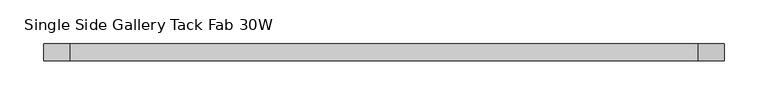
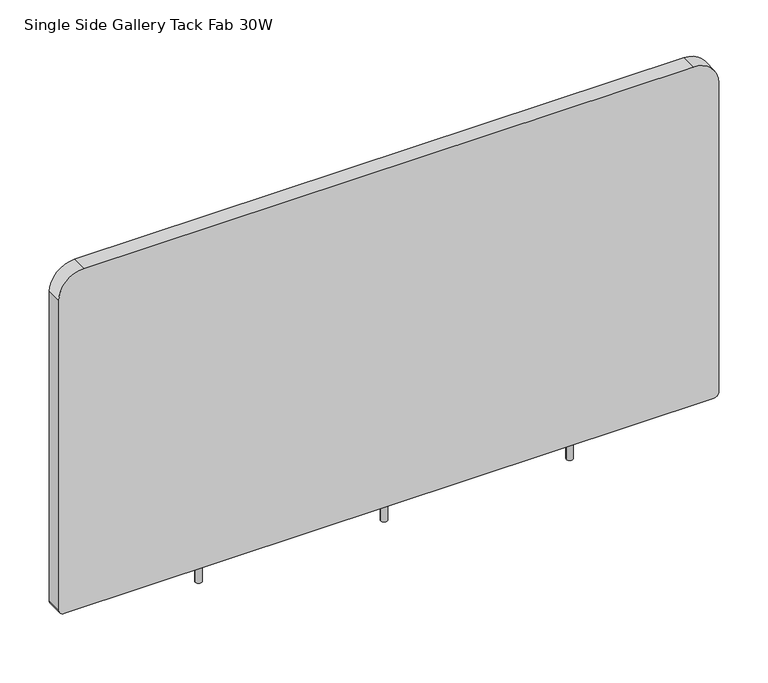
"""IFC4 building model written with IfcOpenShell, lengths in millimetres: furniture geometry, Single Side Gallery Tack Fab 30W."""

from ifc_helpers import new_model, si_unit, point, frame, frame_2d, origin, place, context, project, spatial, polyline, circle_curve, trimmed, segment, composite_curve, outline, extrude, source, transform, mapped, element, save


def single_side_gallery_tack_fab_30w_a366bf1f(model_context):
    return source(origin(), model_context, "Body", "SweptSolid", [
        extrude(outline(composite_curve([segment(trimmed(circle_curve(frame_2d((386.7785, 0.0)), 3.81), [point((382.9685, 0.0))], [point((390.5885, 0.0))], False, "CARTESIAN"), True, "CONTINUOUS"), segment(trimmed(circle_curve(frame_2d((386.7785, 0.0)), 3.81), [point((390.5885, 0.0))], [point((382.9685, 0.0))], False, "CARTESIAN"), True, "CONTINUOUS")], self_intersect=False)), frame((0.0, 0.0, 433.4256), z_axis=(0.0, 0.0, 1.0), x_axis=(1.0, 0.0, 0.0)), (0.0, 0.0, 1.0), 26.3906),
        extrude(outline(composite_curve([segment(trimmed(circle_curve(frame_2d((604.266, 0.0)), 3.81), [point((600.456, 0.0))], [point((608.076, 0.0))], False, "CARTESIAN"), True, "CONTINUOUS"), segment(trimmed(circle_curve(frame_2d((604.266, 0.0)), 3.81), [point((608.076, 0.0))], [point((600.456, 0.0))], False, "CARTESIAN"), True, "CONTINUOUS")], self_intersect=False)), frame((0.0, 0.0, 433.4256), z_axis=(0.0, 0.0, 1.0), x_axis=(1.0, 0.0, 0.0)), (0.0, 0.0, 1.0), 26.3906),
        extrude(outline(composite_curve([segment(trimmed(circle_curve(frame_2d((169.291, 0.0)), 3.81), [point((165.481, 0.0))], [point((173.101, 0.0))], False, "CARTESIAN"), True, "CONTINUOUS"), segment(trimmed(circle_curve(frame_2d((169.291, 0.0)), 3.81), [point((173.101, 0.0))], [point((165.481, 0.0))], False, "CARTESIAN"), True, "CONTINUOUS")], self_intersect=False)), frame((0.0, 0.0, 433.4256), z_axis=(0.0, 0.0, 1.0), x_axis=(1.0, 0.0, 0.0)), (0.0, 0.0, 1.0), 26.3906),
        extrude(outline(composite_curve([segment(polyline([(875.5888, 743.6612), (875.5888, 29.8958)]), True, "CONTINUOUS"), segment(trimmed(circle_curve(frame_2d((845.693, 29.8958)), 29.8958), [point((875.5888, 29.8958))], [point((845.693, 0.0))], False, "CARTESIAN"), True, "CONTINUOUS"), segment(polyline([(845.693, 0.0), (462.6102, 0.0)]), True, "CONTINUOUS"), segment(trimmed(circle_curve(frame_2d((462.6102, 6.35)), 6.35), [point((462.6102, 0.0))], [point((456.2602, 6.35))], False, "CARTESIAN"), True, "CONTINUOUS"), segment(polyline([(456.2602, 6.35), (456.2602, 767.207)]), True, "CONTINUOUS"), segment(trimmed(circle_curve(frame_2d((462.6102, 767.207)), 6.35), [point((456.2602, 767.207))], [point((462.6102, 773.557))], False, "CARTESIAN"), True, "CONTINUOUS"), segment(polyline([(462.6102, 773.557), (845.693, 773.557)]), True, "CONTINUOUS"), segment(trimmed(circle_curve(frame_2d((845.693, 743.6612)), 29.8958), [point((845.693, 773.557))], [point((875.5888, 743.6612))], False, "CARTESIAN"), True, "CONTINUOUS")], self_intersect=False)), frame((0.0, -9.5295067, 0.0), z_axis=(0.0, 1.0, 0.0), x_axis=(0.0, 0.0, 1.0)), (0.0, 0.0, 1.0), 19.05),
    ])


if __name__ == "__main__":
    model = new_model("IFC4")
    model_context = context("Model", 3, world=origin())
    ifc_project = project(units=[si_unit("LENGTHUNIT", "METRE", prefix="MILLI")], contexts=[model_context])
    site = spatial("IfcSite", under=ifc_project)
    building = spatial("IfcBuilding", under=site)
    placement = place(None, origin())
    single_side_gallery_tack_fab_30w_shape = single_side_gallery_tack_fab_30w_a366bf1f(model_context)
    element("IfcFurniture", 1, ObjectType="Single Side Gallery Tack Fab 30W", at=placement, inside=building, context=model_context, shape_type="MappedRepresentation", body=[
        mapped(single_side_gallery_tack_fab_30w_shape, transform((0.0, 0.0, 0.0), x_axis=(1.0, 0.0, 0.0), y_axis=(0.0, 1.0, 0.0), z_axis=(0.0, 0.0, 1.0))),
    ])
    save(model, "model.ifc")
